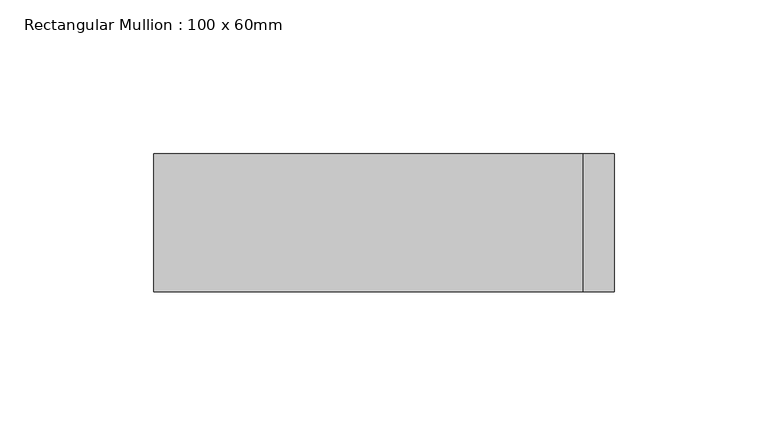
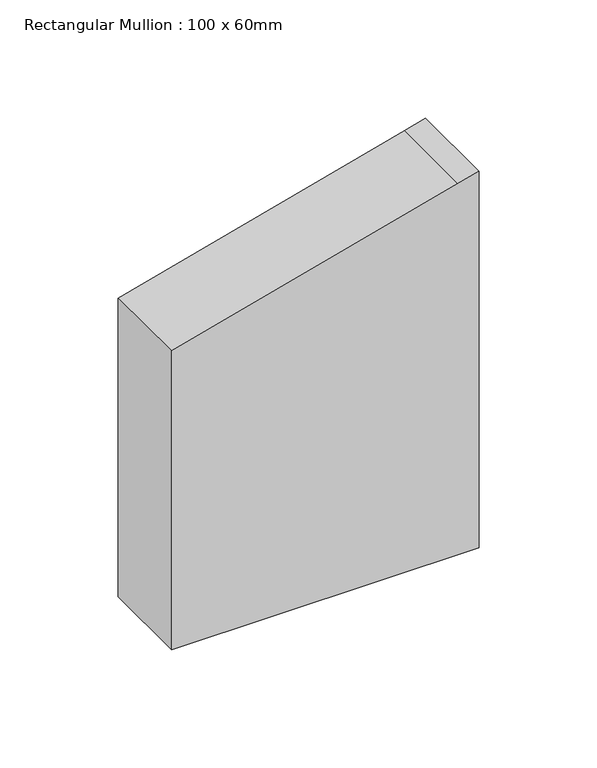
"""IFC4 building model written with IfcOpenShell, lengths in millimetres: member geometry, Rectangular Mullion : 100 x 60mm."""

import ifcopenshell
import ifcopenshell.guid

model = None  # the IFC model being written
_history = None  # IfcOwnerHistory: only IFC2X3 demands one
_inside = {}  # id of a spatial element -> (the spatial element, [elements in it])
_under = {}  # id of a project, library or spatial element -> (it, [spatial elements below it])
_declared = {}  # id of a project -> (the project, [libraries it declares])
_typed = {}  # id of a type object -> (the type object, [elements of that type])
_made_of = {}  # id of a material, layer set ... -> (it, [elements and type objects made of it])


def new_model(schema):
    """Start an empty IFC model of exactly this schema.

    Asked for "IFC4X3", IfcOpenShell would pick the latest addendum, in which some entities
    have other attributes; the version numbers below select the first issue.
    IFC2X3 requires an IfcOwnerHistory on every rooted entity: one is made here for all.
    """
    global model, _history
    if schema == "IFC4X3":
        model = ifcopenshell.file(schema_version=(4, 3, 0, 0))
    else:
        model = ifcopenshell.file(schema=schema)
    _inside.clear()
    _under.clear()
    _declared.clear()
    _typed.clear()
    _made_of.clear()
    _history = None
    if model.schema == "IFC2X3":
        org = make("IfcOrganization", Name="unknown")
        user = make(
            "IfcPersonAndOrganization",
            ThePerson=make("IfcPerson", FamilyName="unknown"),
            TheOrganization=org,
        )
        app = make(
            "IfcApplication",
            ApplicationDeveloper=org,
            Version="unknown",
            ApplicationFullName="unknown",
            ApplicationIdentifier="unknown",
        )
        _history = make(
            "IfcOwnerHistory",
            OwningUser=user,
            OwningApplication=app,
            ChangeAction="ADDED",
            CreationDate=0,
        )
    return model


def make(cls, **values):
    """One entity of the class cls with the attributes given. An attribute that is None is left unset."""
    return model.create_entity(
        cls, **{name: value for name, value in values.items() if value is not None}
    )


def rooted(cls, **values):
    """An entity with a GlobalId (a new one), such as an element, a storey or a relation."""
    return make(cls, GlobalId=ifcopenshell.guid.new(), OwnerHistory=_history, **values)


def si_unit(unit_type, name, prefix=None):
    """IfcSIUnit, for example si_unit("LENGTHUNIT", "METRE", prefix="MILLI")."""
    return make("IfcSIUnit", UnitType=unit_type, Prefix=prefix, Name=name)


def assignment(units):
    """IfcUnitAssignment: the units of a project."""
    return None if units is None else make("IfcUnitAssignment", Units=units)


def point(xyz):
    """IfcCartesianPoint."""
    return None if xyz is None else make("IfcCartesianPoint", Coordinates=xyz)


def direction(xyz):
    """IfcDirection."""
    return None if xyz is None else make("IfcDirection", DirectionRatios=xyz)


def frame(location, z_axis=None, x_axis=None):
    """IfcAxis2Placement3D, a coordinate frame: its origin and axes. An axis left out is left unset."""
    return make(
        "IfcAxis2Placement3D",
        Location=point(location),
        Axis=direction(z_axis),
        RefDirection=direction(x_axis),
    )


def origin():
    """The frame at (0, 0, 0) with its axes left unset."""
    return frame((0.0, 0.0, 0.0))


def place(relative_to, where):
    """IfcLocalPlacement: puts the frame where relative to a parent placement (None: the world)."""
    return make(
        "IfcLocalPlacement", PlacementRelTo=relative_to, RelativePlacement=where
    )


def context(
    kind, dimensions, precision=None, world=None, true_north=None, identifier=None
):
    """IfcGeometricRepresentationContext, for example the 3D "Model" context."""
    return make(
        "IfcGeometricRepresentationContext",
        ContextIdentifier=identifier,
        ContextType=kind,
        CoordinateSpaceDimension=dimensions,
        Precision=precision,
        WorldCoordinateSystem=world,
        TrueNorth=true_north,
    )


def project(units=None, contexts=None):
    """IfcProject with its units and contexts."""
    return rooted(
        "IfcProject",
        Name="project",
        RepresentationContexts=contexts,
        UnitsInContext=assignment(units),
    )


def spatial(cls, under=None, at=None, **own):
    """A site, building, storey or space (cls), placed at a placement, below another one or the project."""
    s = rooted(cls, ObjectPlacement=at, **own)
    if under is not None:
        _under.setdefault(under.id(), (under, []))[1].append(s)
    return s


def polyline(points):
    """IfcPolyline through the points."""
    return make("IfcPolyline", Points=[point(p) for p in points])


def outline(outer, holes=None, kind="AREA"):
    """IfcArbitraryClosedProfileDef: a profile drawn as a closed curve; with holes, ...WithVoids."""
    if holes is None:
        return make("IfcArbitraryClosedProfileDef", ProfileType=kind, OuterCurve=outer)
    return make(
        "IfcArbitraryProfileDefWithVoids",
        ProfileType=kind,
        OuterCurve=outer,
        InnerCurves=holes,
    )


def extrude(swept, where, along, depth):
    """IfcExtrudedAreaSolid: the profile swept, set in the frame where, extruded along a direction by depth."""
    return make(
        "IfcExtrudedAreaSolid",
        SweptArea=swept,
        Position=where,
        ExtrudedDirection=direction(along),
        Depth=depth,
    )


def shape(context_of_items, identifier, shape_type, items):
    """IfcShapeRepresentation: the items that make up one representation, for example the "Body"."""
    return make(
        "IfcShapeRepresentation",
        ContextOfItems=context_of_items,
        RepresentationIdentifier=identifier,
        RepresentationType=shape_type,
        Items=items,
    )


def source(mapping_origin, context_of_items, identifier, shape_type, items):
    """IfcRepresentationMap: a shape defined once, which mapped items show again and again."""
    return make(
        "IfcRepresentationMap",
        MappingOrigin=mapping_origin,
        MappedRepresentation=shape(context_of_items, identifier, shape_type, items),
    )


def transform(
    local_origin,
    x_axis=None,
    y_axis=None,
    z_axis=None,
    scale=None,
    scale2=None,
    scale3=None,
    uniform=True,
):
    """IfcCartesianTransformationOperator3D, or its non-uniform kind. x_axis, y_axis, z_axis: its Axis1, 2, 3."""
    if uniform:
        return make(
            "IfcCartesianTransformationOperator3D",
            Axis1=direction(x_axis),
            Axis2=direction(y_axis),
            LocalOrigin=point(local_origin),
            Scale=scale,
            Axis3=direction(z_axis),
        )
    return make(
        "IfcCartesianTransformationOperator3DnonUniform",
        Axis1=direction(x_axis),
        Axis2=direction(y_axis),
        LocalOrigin=point(local_origin),
        Scale=scale,
        Axis3=direction(z_axis),
        Scale2=scale2,
        Scale3=scale3,
    )


def mapped(mapping_source, mapping_target):
    """IfcMappedItem: shows the shape of a source again, moved by a transform."""
    return make(
        "IfcMappedItem", MappingSource=mapping_source, MappingTarget=mapping_target
    )


def made_of(thing, what):
    """Note that an element or type object is made of a material, layer set ...; save() writes the relation."""
    if what is not None:
        _made_of.setdefault(what.id(), (what, []))[1].append(thing)
    return thing


def element(
    cls,
    number,
    at=None,
    inside=None,
    cuts=None,
    type_object=None,
    material=None,
    context=None,
    identifier="Body",
    shape_type=None,
    held_by="IfcProductDefinitionShape",
    body=None,
    shapes=None,
    **own,
):
    """One element of the class cls, such as IfcWall. Its Tag is "e" and its number.

    at: its placement. inside: the storey or other place that contains it. cuts: it is an
    opening in that element (IfcRelVoidsElement). A single representation is given by context,
    identifier, shape_type and body (its items); several are given by shapes. held_by: the class
    of the entity that holds the representations. save() writes the other relations.
    """
    e = rooted(cls, Tag="e%d" % number, ObjectPlacement=at, **own)
    if body is not None:
        shapes = [shape(context, identifier, shape_type, body)]
    if shapes is not None:
        e.Representation = make(held_by, Representations=shapes)
    if inside is not None:
        _inside.setdefault(inside.id(), (inside, []))[1].append(e)
    if cuts is not None:
        rooted(
            "IfcRelVoidsElement", RelatingBuildingElement=cuts, RelatedOpeningElement=e
        )
    if type_object is not None:
        _typed.setdefault(type_object.id(), (type_object, []))[1].append(e)
    return made_of(e, material)


def aggregate(whole, parts):
    """IfcRelAggregates: a whole, such as a stair, and the parts it consists of."""
    return rooted("IfcRelAggregates", RelatingObject=whole, RelatedObjects=parts)


def save(model, path):
    """Write the relations noted so far, then the file.

    IfcRelAggregates (storeys below a building ...), IfcRelContainedInSpatialStructure (elements
    in a storey), IfcRelDefinesByType, IfcRelAssociatesMaterial and IfcRelDeclares: one each for
    every whole, place, type object, material and project.
    """
    for whole, parts in _under.values():
        aggregate(whole, parts)
    for where, things in _inside.values():
        rooted(
            "IfcRelContainedInSpatialStructure",
            RelatedElements=things,
            RelatingStructure=where,
        )
    for kind, things in _typed.values():
        rooted("IfcRelDefinesByType", RelatedObjects=things, RelatingType=kind)
    for what, things in _made_of.values():
        rooted("IfcRelAssociatesMaterial", RelatedObjects=things, RelatingMaterial=what)
    for by, libraries in _declared.values():
        rooted("IfcRelDeclares", RelatingContext=by, RelatedDefinitions=libraries)
    model.write(path)


def rectangular_mullion_100_x_60mm_72e95854(model_context):
    return source(origin(), model_context, "Body", "SweptSolid", [
        extrude(outline(polyline([(-238.7228557, 75.0), (-241.4814566, 64.7047613), (-278.9152345, -75.0), (-432.986362, -75.0), (-432.986362, 75.0), (-238.7228557, 75.0)])), frame((0.0, -30.0, 0.0), z_axis=(0.0, 1.0, 0.0), x_axis=(0.0, 0.0, 1.0)), (0.0, 0.0, 1.0), 45.0),
    ])


if __name__ == "__main__":
    model = new_model("IFC4")
    model_context = context("Model", 3, world=origin())
    ifc_project = project(units=[si_unit("LENGTHUNIT", "METRE", prefix="MILLI")], contexts=[model_context])
    site = spatial("IfcSite", under=ifc_project)
    building = spatial("IfcBuilding", under=site)
    placement = place(None, origin())
    rectangular_mullion_100_x_60mm_shape = rectangular_mullion_100_x_60mm_72e95854(model_context)
    element("IfcMember", 1, ObjectType="Rectangular Mullion : 100 x 60mm", at=placement, inside=building, context=model_context, shape_type="MappedRepresentation", body=[
        mapped(rectangular_mullion_100_x_60mm_shape, transform((0.0, 0.0, 0.0), x_axis=(1.0, 0.0, 0.0), y_axis=(0.0, 1.0, 0.0), z_axis=(0.0, 0.0, 1.0))),
    ])
    save(model, "model.ifc")
